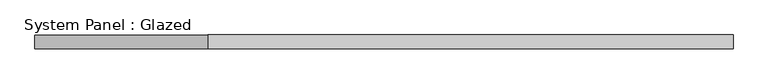
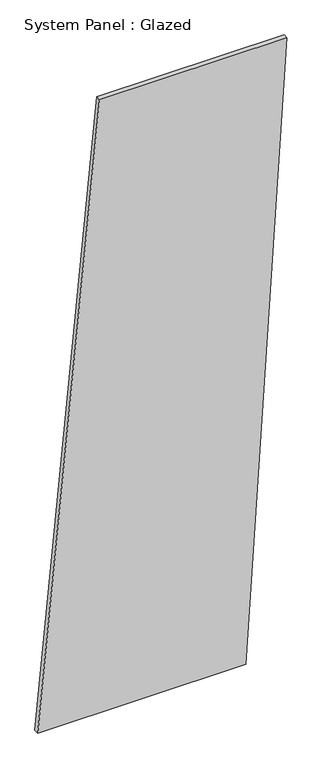
"""IFC4 building model written with IfcOpenShell, lengths in millimetres: plate geometry, System Panel : Glazed."""

import ifcopenshell
import ifcopenshell.guid

model = None  # the IFC model being written
_history = None  # IfcOwnerHistory: only IFC2X3 demands one
_inside = {}  # id of a spatial element -> (the spatial element, [elements in it])
_under = {}  # id of a project, library or spatial element -> (it, [spatial elements below it])
_declared = {}  # id of a project -> (the project, [libraries it declares])
_typed = {}  # id of a type object -> (the type object, [elements of that type])
_made_of = {}  # id of a material, layer set ... -> (it, [elements and type objects made of it])


def new_model(schema):
    """Start an empty IFC model of exactly this schema.

    Asked for "IFC4X3", IfcOpenShell would pick the latest addendum, in which some entities
    have other attributes; the version numbers below select the first issue.
    IFC2X3 requires an IfcOwnerHistory on every rooted entity: one is made here for all.
    """
    global model, _history
    if schema == "IFC4X3":
        model = ifcopenshell.file(schema_version=(4, 3, 0, 0))
    else:
        model = ifcopenshell.file(schema=schema)
    _inside.clear()
    _under.clear()
    _declared.clear()
    _typed.clear()
    _made_of.clear()
    _history = None
    if model.schema == "IFC2X3":
        org = make("IfcOrganization", Name="unknown")
        user = make(
            "IfcPersonAndOrganization",
            ThePerson=make("IfcPerson", FamilyName="unknown"),
            TheOrganization=org,
        )
        app = make(
            "IfcApplication",
            ApplicationDeveloper=org,
            Version="unknown",
            ApplicationFullName="unknown",
            ApplicationIdentifier="unknown",
        )
        _history = make(
            "IfcOwnerHistory",
            OwningUser=user,
            OwningApplication=app,
            ChangeAction="ADDED",
            CreationDate=0,
        )
    return model


def make(cls, **values):
    """One entity of the class cls with the attributes given. An attribute that is None is left unset."""
    return model.create_entity(
        cls, **{name: value for name, value in values.items() if value is not None}
    )


def rooted(cls, **values):
    """An entity with a GlobalId (a new one), such as an element, a storey or a relation."""
    return make(cls, GlobalId=ifcopenshell.guid.new(), OwnerHistory=_history, **values)


def si_unit(unit_type, name, prefix=None):
    """IfcSIUnit, for example si_unit("LENGTHUNIT", "METRE", prefix="MILLI")."""
    return make("IfcSIUnit", UnitType=unit_type, Prefix=prefix, Name=name)


def assignment(units):
    """IfcUnitAssignment: the units of a project."""
    return None if units is None else make("IfcUnitAssignment", Units=units)


def point(xyz):
    """IfcCartesianPoint."""
    return None if xyz is None else make("IfcCartesianPoint", Coordinates=xyz)


def direction(xyz):
    """IfcDirection."""
    return None if xyz is None else make("IfcDirection", DirectionRatios=xyz)


def frame(location, z_axis=None, x_axis=None):
    """IfcAxis2Placement3D, a coordinate frame: its origin and axes. An axis left out is left unset."""
    return make(
        "IfcAxis2Placement3D",
        Location=point(location),
        Axis=direction(z_axis),
        RefDirection=direction(x_axis),
    )


def origin():
    """The frame at (0, 0, 0) with its axes left unset."""
    return frame((0.0, 0.0, 0.0))


def place(relative_to, where):
    """IfcLocalPlacement: puts the frame where relative to a parent placement (None: the world)."""
    return make(
        "IfcLocalPlacement", PlacementRelTo=relative_to, RelativePlacement=where
    )


def context(
    kind, dimensions, precision=None, world=None, true_north=None, identifier=None
):
    """IfcGeometricRepresentationContext, for example the 3D "Model" context."""
    return make(
        "IfcGeometricRepresentationContext",
        ContextIdentifier=identifier,
        ContextType=kind,
        CoordinateSpaceDimension=dimensions,
        Precision=precision,
        WorldCoordinateSystem=world,
        TrueNorth=true_north,
    )


def project(units=None, contexts=None):
    """IfcProject with its units and contexts."""
    return rooted(
        "IfcProject",
        Name="project",
        RepresentationContexts=contexts,
        UnitsInContext=assignment(units),
    )


def spatial(cls, under=None, at=None, **own):
    """A site, building, storey or space (cls), placed at a placement, below another one or the project."""
    s = rooted(cls, ObjectPlacement=at, **own)
    if under is not None:
        _under.setdefault(under.id(), (under, []))[1].append(s)
    return s


def polyline(points):
    """IfcPolyline through the points."""
    return make("IfcPolyline", Points=[point(p) for p in points])


def outline(outer, holes=None, kind="AREA"):
    """IfcArbitraryClosedProfileDef: a profile drawn as a closed curve; with holes, ...WithVoids."""
    if holes is None:
        return make("IfcArbitraryClosedProfileDef", ProfileType=kind, OuterCurve=outer)
    return make(
        "IfcArbitraryProfileDefWithVoids",
        ProfileType=kind,
        OuterCurve=outer,
        InnerCurves=holes,
    )


def extrude(swept, where, along, depth):
    """IfcExtrudedAreaSolid: the profile swept, set in the frame where, extruded along a direction by depth."""
    return make(
        "IfcExtrudedAreaSolid",
        SweptArea=swept,
        Position=where,
        ExtrudedDirection=direction(along),
        Depth=depth,
    )


def shape(context_of_items, identifier, shape_type, items):
    """IfcShapeRepresentation: the items that make up one representation, for example the "Body"."""
    return make(
        "IfcShapeRepresentation",
        ContextOfItems=context_of_items,
        RepresentationIdentifier=identifier,
        RepresentationType=shape_type,
        Items=items,
    )


def source(mapping_origin, context_of_items, identifier, shape_type, items):
    """IfcRepresentationMap: a shape defined once, which mapped items show again and again."""
    return make(
        "IfcRepresentationMap",
        MappingOrigin=mapping_origin,
        MappedRepresentation=shape(context_of_items, identifier, shape_type, items),
    )


def transform(
    local_origin,
    x_axis=None,
    y_axis=None,
    z_axis=None,
    scale=None,
    scale2=None,
    scale3=None,
    uniform=True,
):
    """IfcCartesianTransformationOperator3D, or its non-uniform kind. x_axis, y_axis, z_axis: its Axis1, 2, 3."""
    if uniform:
        return make(
            "IfcCartesianTransformationOperator3D",
            Axis1=direction(x_axis),
            Axis2=direction(y_axis),
            LocalOrigin=point(local_origin),
            Scale=scale,
            Axis3=direction(z_axis),
        )
    return make(
        "IfcCartesianTransformationOperator3DnonUniform",
        Axis1=direction(x_axis),
        Axis2=direction(y_axis),
        LocalOrigin=point(local_origin),
        Scale=scale,
        Axis3=direction(z_axis),
        Scale2=scale2,
        Scale3=scale3,
    )


def mapped(mapping_source, mapping_target):
    """IfcMappedItem: shows the shape of a source again, moved by a transform."""
    return make(
        "IfcMappedItem", MappingSource=mapping_source, MappingTarget=mapping_target
    )


def made_of(thing, what):
    """Note that an element or type object is made of a material, layer set ...; save() writes the relation."""
    if what is not None:
        _made_of.setdefault(what.id(), (what, []))[1].append(thing)
    return thing


def element(
    cls,
    number,
    at=None,
    inside=None,
    cuts=None,
    type_object=None,
    material=None,
    context=None,
    identifier="Body",
    shape_type=None,
    held_by="IfcProductDefinitionShape",
    body=None,
    shapes=None,
    **own,
):
    """One element of the class cls, such as IfcWall. Its Tag is "e" and its number.

    at: its placement. inside: the storey or other place that contains it. cuts: it is an
    opening in that element (IfcRelVoidsElement). A single representation is given by context,
    identifier, shape_type and body (its items); several are given by shapes. held_by: the class
    of the entity that holds the representations. save() writes the other relations.
    """
    e = rooted(cls, Tag="e%d" % number, ObjectPlacement=at, **own)
    if body is not None:
        shapes = [shape(context, identifier, shape_type, body)]
    if shapes is not None:
        e.Representation = make(held_by, Representations=shapes)
    if inside is not None:
        _inside.setdefault(inside.id(), (inside, []))[1].append(e)
    if cuts is not None:
        rooted(
            "IfcRelVoidsElement", RelatingBuildingElement=cuts, RelatedOpeningElement=e
        )
    if type_object is not None:
        _typed.setdefault(type_object.id(), (type_object, []))[1].append(e)
    return made_of(e, material)


def aggregate(whole, parts):
    """IfcRelAggregates: a whole, such as a stair, and the parts it consists of."""
    return rooted("IfcRelAggregates", RelatingObject=whole, RelatedObjects=parts)


def save(model, path):
    """Write the relations noted so far, then the file.

    IfcRelAggregates (storeys below a building ...), IfcRelContainedInSpatialStructure (elements
    in a storey), IfcRelDefinesByType, IfcRelAssociatesMaterial and IfcRelDeclares: one each for
    every whole, place, type object, material and project.
    """
    for whole, parts in _under.values():
        aggregate(whole, parts)
    for where, things in _inside.values():
        rooted(
            "IfcRelContainedInSpatialStructure",
            RelatedElements=things,
            RelatingStructure=where,
        )
    for kind, things in _typed.values():
        rooted("IfcRelDefinesByType", RelatedObjects=things, RelatingType=kind)
    for what, things in _made_of.values():
        rooted("IfcRelAssociatesMaterial", RelatedObjects=things, RelatingMaterial=what)
    for by, libraries in _declared.values():
        rooted("IfcRelDeclares", RelatingContext=by, RelatedDefinitions=libraries)
    model.write(path)


def system_panel_glazed_d843b5f1(model_context):
    return source(origin(), model_context, "Body", "SweptSolid", [
        extrude(outline(polyline([(0.0, -641.6196712), (0.0, 429.9761201), (3337.5895065, 641.6196712), (3337.5895065, -324.1543446), (0.0, -641.6196712)])), frame((0.0, -49.5, 0.0), z_axis=(0.0, 1.0, 0.0), x_axis=(0.0, 0.0, 1.0)), (0.0, 0.0, 1.0), 25.0),
    ])


if __name__ == "__main__":
    model = new_model("IFC4")
    model_context = context("Model", 3, world=origin())
    ifc_project = project(units=[si_unit("LENGTHUNIT", "METRE", prefix="MILLI")], contexts=[model_context])
    site = spatial("IfcSite", under=ifc_project)
    building = spatial("IfcBuilding", under=site)
    placement = place(None, origin())
    system_panel_glazed_shape = system_panel_glazed_d843b5f1(model_context)
    element("IfcPlate", 1, ObjectType="System Panel : Glazed", at=placement, inside=building, context=model_context, shape_type="MappedRepresentation", body=[
        mapped(system_panel_glazed_shape, transform((0.0, 0.0, 0.0), x_axis=(1.0, 0.0, 0.0), y_axis=(0.0, 1.0, 0.0), z_axis=(0.0, 0.0, 1.0))),
    ])
    save(model, "model.ifc")
